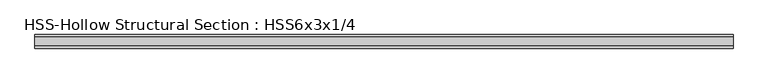
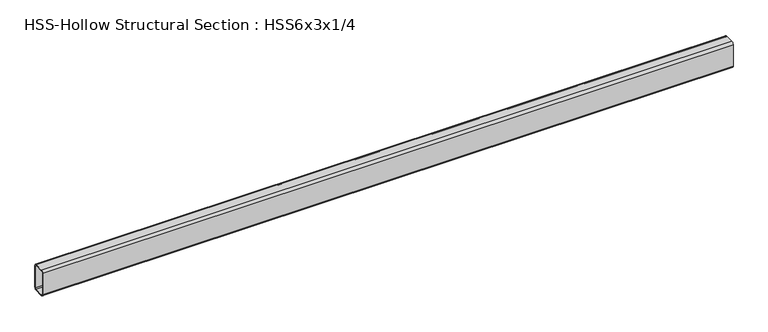
"""IFC4 building model written with IfcOpenShell, lengths in millimetres: beam geometry, HSS-Hollow Structural Section : HSS6x3x1/4."""

import ifcopenshell
import ifcopenshell.guid

model = None  # the IFC model being written
_history = None  # IfcOwnerHistory: only IFC2X3 demands one
_inside = {}  # id of a spatial element -> (the spatial element, [elements in it])
_under = {}  # id of a project, library or spatial element -> (it, [spatial elements below it])
_declared = {}  # id of a project -> (the project, [libraries it declares])
_typed = {}  # id of a type object -> (the type object, [elements of that type])
_made_of = {}  # id of a material, layer set ... -> (it, [elements and type objects made of it])


def new_model(schema):
    """Start an empty IFC model of exactly this schema.

    Asked for "IFC4X3", IfcOpenShell would pick the latest addendum, in which some entities
    have other attributes; the version numbers below select the first issue.
    IFC2X3 requires an IfcOwnerHistory on every rooted entity: one is made here for all.
    """
    global model, _history
    if schema == "IFC4X3":
        model = ifcopenshell.file(schema_version=(4, 3, 0, 0))
    else:
        model = ifcopenshell.file(schema=schema)
    _inside.clear()
    _under.clear()
    _declared.clear()
    _typed.clear()
    _made_of.clear()
    _history = None
    if model.schema == "IFC2X3":
        org = make("IfcOrganization", Name="unknown")
        user = make(
            "IfcPersonAndOrganization",
            ThePerson=make("IfcPerson", FamilyName="unknown"),
            TheOrganization=org,
        )
        app = make(
            "IfcApplication",
            ApplicationDeveloper=org,
            Version="unknown",
            ApplicationFullName="unknown",
            ApplicationIdentifier="unknown",
        )
        _history = make(
            "IfcOwnerHistory",
            OwningUser=user,
            OwningApplication=app,
            ChangeAction="ADDED",
            CreationDate=0,
        )
    return model


def make(cls, **values):
    """One entity of the class cls with the attributes given. An attribute that is None is left unset."""
    return model.create_entity(
        cls, **{name: value for name, value in values.items() if value is not None}
    )


def rooted(cls, **values):
    """An entity with a GlobalId (a new one), such as an element, a storey or a relation."""
    return make(cls, GlobalId=ifcopenshell.guid.new(), OwnerHistory=_history, **values)


def si_unit(unit_type, name, prefix=None):
    """IfcSIUnit, for example si_unit("LENGTHUNIT", "METRE", prefix="MILLI")."""
    return make("IfcSIUnit", UnitType=unit_type, Prefix=prefix, Name=name)


def assignment(units):
    """IfcUnitAssignment: the units of a project."""
    return None if units is None else make("IfcUnitAssignment", Units=units)


def point(xyz):
    """IfcCartesianPoint."""
    return None if xyz is None else make("IfcCartesianPoint", Coordinates=xyz)


def direction(xyz):
    """IfcDirection."""
    return None if xyz is None else make("IfcDirection", DirectionRatios=xyz)


def frame(location, z_axis=None, x_axis=None):
    """IfcAxis2Placement3D, a coordinate frame: its origin and axes. An axis left out is left unset."""
    return make(
        "IfcAxis2Placement3D",
        Location=point(location),
        Axis=direction(z_axis),
        RefDirection=direction(x_axis),
    )


def frame_2d(location, x_axis=None):
    """IfcAxis2Placement2D, a coordinate frame in the plane: its origin and x axis."""
    return make(
        "IfcAxis2Placement2D", Location=point(location), RefDirection=direction(x_axis)
    )


def origin():
    """The frame at (0, 0, 0) with its axes left unset."""
    return frame((0.0, 0.0, 0.0))


def place(relative_to, where):
    """IfcLocalPlacement: puts the frame where relative to a parent placement (None: the world)."""
    return make(
        "IfcLocalPlacement", PlacementRelTo=relative_to, RelativePlacement=where
    )


def context(
    kind, dimensions, precision=None, world=None, true_north=None, identifier=None
):
    """IfcGeometricRepresentationContext, for example the 3D "Model" context."""
    return make(
        "IfcGeometricRepresentationContext",
        ContextIdentifier=identifier,
        ContextType=kind,
        CoordinateSpaceDimension=dimensions,
        Precision=precision,
        WorldCoordinateSystem=world,
        TrueNorth=true_north,
    )


def project(units=None, contexts=None):
    """IfcProject with its units and contexts."""
    return rooted(
        "IfcProject",
        Name="project",
        RepresentationContexts=contexts,
        UnitsInContext=assignment(units),
    )


def spatial(cls, under=None, at=None, **own):
    """A site, building, storey or space (cls), placed at a placement, below another one or the project."""
    s = rooted(cls, ObjectPlacement=at, **own)
    if under is not None:
        _under.setdefault(under.id(), (under, []))[1].append(s)
    return s


def polyline(points):
    """IfcPolyline through the points."""
    return make("IfcPolyline", Points=[point(p) for p in points])


def circle_curve(where, radius):
    """IfcCircle in the frame where."""
    return make("IfcCircle", Position=where, Radius=radius)


def trimmed(basis, trim1, trim2, sense, master):
    """IfcTrimmedCurve: the piece of a basis curve between two trims."""
    return make(
        "IfcTrimmedCurve",
        BasisCurve=basis,
        Trim1=trim1,
        Trim2=trim2,
        SenseAgreement=sense,
        MasterRepresentation=master,
    )


def segment(curve, same_sense, transition):
    """IfcCompositeCurveSegment."""
    return make(
        "IfcCompositeCurveSegment",
        Transition=transition,
        SameSense=same_sense,
        ParentCurve=curve,
    )


def composite_curve(segments, self_intersect=None):
    """IfcCompositeCurve: segments joined end to end."""
    return make("IfcCompositeCurve", Segments=segments, SelfIntersect=self_intersect)


def outline(outer, holes=None, kind="AREA"):
    """IfcArbitraryClosedProfileDef: a profile drawn as a closed curve; with holes, ...WithVoids."""
    if holes is None:
        return make("IfcArbitraryClosedProfileDef", ProfileType=kind, OuterCurve=outer)
    return make(
        "IfcArbitraryProfileDefWithVoids",
        ProfileType=kind,
        OuterCurve=outer,
        InnerCurves=holes,
    )


def extrude(swept, where, along, depth):
    """IfcExtrudedAreaSolid: the profile swept, set in the frame where, extruded along a direction by depth."""
    return make(
        "IfcExtrudedAreaSolid",
        SweptArea=swept,
        Position=where,
        ExtrudedDirection=direction(along),
        Depth=depth,
    )


def shape(context_of_items, identifier, shape_type, items):
    """IfcShapeRepresentation: the items that make up one representation, for example the "Body"."""
    return make(
        "IfcShapeRepresentation",
        ContextOfItems=context_of_items,
        RepresentationIdentifier=identifier,
        RepresentationType=shape_type,
        Items=items,
    )


def source(mapping_origin, context_of_items, identifier, shape_type, items):
    """IfcRepresentationMap: a shape defined once, which mapped items show again and again."""
    return make(
        "IfcRepresentationMap",
        MappingOrigin=mapping_origin,
        MappedRepresentation=shape(context_of_items, identifier, shape_type, items),
    )


def transform(
    local_origin,
    x_axis=None,
    y_axis=None,
    z_axis=None,
    scale=None,
    scale2=None,
    scale3=None,
    uniform=True,
):
    """IfcCartesianTransformationOperator3D, or its non-uniform kind. x_axis, y_axis, z_axis: its Axis1, 2, 3."""
    if uniform:
        return make(
            "IfcCartesianTransformationOperator3D",
            Axis1=direction(x_axis),
            Axis2=direction(y_axis),
            LocalOrigin=point(local_origin),
            Scale=scale,
            Axis3=direction(z_axis),
        )
    return make(
        "IfcCartesianTransformationOperator3DnonUniform",
        Axis1=direction(x_axis),
        Axis2=direction(y_axis),
        LocalOrigin=point(local_origin),
        Scale=scale,
        Axis3=direction(z_axis),
        Scale2=scale2,
        Scale3=scale3,
    )


def mapped(mapping_source, mapping_target):
    """IfcMappedItem: shows the shape of a source again, moved by a transform."""
    return make(
        "IfcMappedItem", MappingSource=mapping_source, MappingTarget=mapping_target
    )


def made_of(thing, what):
    """Note that an element or type object is made of a material, layer set ...; save() writes the relation."""
    if what is not None:
        _made_of.setdefault(what.id(), (what, []))[1].append(thing)
    return thing


def element(
    cls,
    number,
    at=None,
    inside=None,
    cuts=None,
    type_object=None,
    material=None,
    context=None,
    identifier="Body",
    shape_type=None,
    held_by="IfcProductDefinitionShape",
    body=None,
    shapes=None,
    **own,
):
    """One element of the class cls, such as IfcWall. Its Tag is "e" and its number.

    at: its placement. inside: the storey or other place that contains it. cuts: it is an
    opening in that element (IfcRelVoidsElement). A single representation is given by context,
    identifier, shape_type and body (its items); several are given by shapes. held_by: the class
    of the entity that holds the representations. save() writes the other relations.
    """
    e = rooted(cls, Tag="e%d" % number, ObjectPlacement=at, **own)
    if body is not None:
        shapes = [shape(context, identifier, shape_type, body)]
    if shapes is not None:
        e.Representation = make(held_by, Representations=shapes)
    if inside is not None:
        _inside.setdefault(inside.id(), (inside, []))[1].append(e)
    if cuts is not None:
        rooted(
            "IfcRelVoidsElement", RelatingBuildingElement=cuts, RelatedOpeningElement=e
        )
    if type_object is not None:
        _typed.setdefault(type_object.id(), (type_object, []))[1].append(e)
    return made_of(e, material)


def aggregate(whole, parts):
    """IfcRelAggregates: a whole, such as a stair, and the parts it consists of."""
    return rooted("IfcRelAggregates", RelatingObject=whole, RelatedObjects=parts)


def save(model, path):
    """Write the relations noted so far, then the file.

    IfcRelAggregates (storeys below a building ...), IfcRelContainedInSpatialStructure (elements
    in a storey), IfcRelDefinesByType, IfcRelAssociatesMaterial and IfcRelDeclares: one each for
    every whole, place, type object, material and project.
    """
    for whole, parts in _under.values():
        aggregate(whole, parts)
    for where, things in _inside.values():
        rooted(
            "IfcRelContainedInSpatialStructure",
            RelatedElements=things,
            RelatingStructure=where,
        )
    for kind, things in _typed.values():
        rooted("IfcRelDefinesByType", RelatedObjects=things, RelatingType=kind)
    for what, things in _made_of.values():
        rooted("IfcRelAssociatesMaterial", RelatedObjects=things, RelatingMaterial=what)
    for by, libraries in _declared.values():
        rooted("IfcRelDeclares", RelatingContext=by, RelatedDefinitions=libraries)
    model.write(path)


def hss_hollow_structural_section_hss6x3x1_4_94284aa6(model_context):
    return source(origin(), model_context, "Body", "SweptSolid", [
        extrude(outline(composite_curve([segment(trimmed(circle_curve(frame_2d((-26.2636, 64.3636)), 11.8364), [point((-38.1, 64.3636))], [point((-26.2636, 76.2))], False, "CARTESIAN"), True, "CONTINUOUS"), segment(polyline([(-26.2636, 76.2), (26.2636, 76.2)]), True, "CONTINUOUS"), segment(trimmed(circle_curve(frame_2d((26.2636, 64.3636)), 11.8364), [point((26.2636, 76.2))], [point((38.1, 64.3636))], False, "CARTESIAN"), True, "CONTINUOUS"), segment(polyline([(38.1, 64.3636), (38.1, -64.3636)]), True, "CONTINUOUS"), segment(trimmed(circle_curve(frame_2d((26.2636, -64.3636)), 11.8364), [point((38.1, -64.3636))], [point((26.2636, -76.2))], False, "CARTESIAN"), True, "CONTINUOUS"), segment(polyline([(26.2636, -76.2), (-26.2636, -76.2)]), True, "CONTINUOUS"), segment(trimmed(circle_curve(frame_2d((-26.2636, -64.3636)), 11.8364), [point((-26.2636, -76.2))], [point((-38.1, -64.3636))], False, "CARTESIAN"), True, "CONTINUOUS"), segment(polyline([(-38.1, -64.3636), (-38.1, 64.3636)]), True, "CONTINUOUS")], self_intersect=False), holes=[composite_curve([segment(polyline([(26.2636, 70.2818), (-26.2636, 70.2818)]), True, "CONTINUOUS"), segment(trimmed(circle_curve(frame_2d((-26.2636, 64.3636)), 5.9182), [point((-26.2636, 70.2818))], [point((-32.1818, 64.3636))], True, "CARTESIAN"), True, "CONTINUOUS"), segment(polyline([(-32.1818, 64.3636), (-32.1818, -64.3636)]), True, "CONTINUOUS"), segment(trimmed(circle_curve(frame_2d((-26.2636, -64.3636)), 5.9182), [point((-32.1818, -64.3636))], [point((-26.2636, -70.2818))], True, "CARTESIAN"), True, "CONTINUOUS"), segment(polyline([(-26.2636, -70.2818), (26.2636, -70.2818)]), True, "CONTINUOUS"), segment(trimmed(circle_curve(frame_2d((26.2636, -64.3636)), 5.9182), [point((26.2636, -70.2818))], [point((32.1818, -64.3636))], True, "CARTESIAN"), True, "CONTINUOUS"), segment(polyline([(32.1818, -64.3636), (32.1818, 64.3636)]), True, "CONTINUOUS"), segment(trimmed(circle_curve(frame_2d((26.2636, 64.3636)), 5.9182), [point((32.1818, 64.3636))], [point((26.2636, 70.2818))], True, "CARTESIAN"), True, "CONTINUOUS")], self_intersect=False)]), frame((-1949.45, 0.0, 0.0), z_axis=(1.0, 0.0, 0.0), x_axis=(0.0, 1.0, 0.0)), (0.0, 0.0, 1.0), 3898.9),
    ])


if __name__ == "__main__":
    model = new_model("IFC4")
    model_context = context("Model", 3, world=origin())
    ifc_project = project(units=[si_unit("LENGTHUNIT", "METRE", prefix="MILLI")], contexts=[model_context])
    site = spatial("IfcSite", under=ifc_project)
    building = spatial("IfcBuilding", under=site)
    placement = place(None, origin())
    hss_hollow_structural_section_hss6x3x1_4_shape = hss_hollow_structural_section_hss6x3x1_4_94284aa6(model_context)
    element("IfcBeam", 1, ObjectType="HSS-Hollow Structural Section : HSS6x3x1/4", at=placement, inside=building, context=model_context, shape_type="MappedRepresentation", body=[
        mapped(hss_hollow_structural_section_hss6x3x1_4_shape, transform((0.0, 0.0, 0.0), x_axis=(1.0, 0.0, 0.0), y_axis=(0.0, 1.0, 0.0), z_axis=(0.0, 0.0, 1.0))),
    ])
    save(model, "model.ifc")
